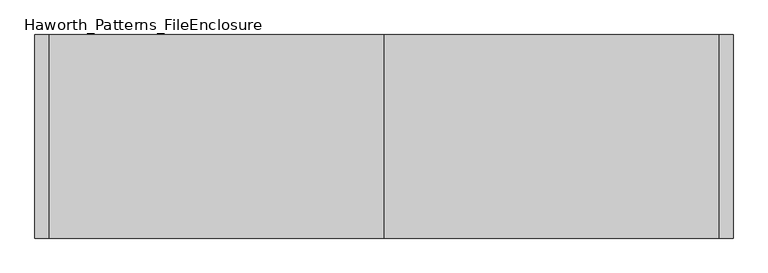
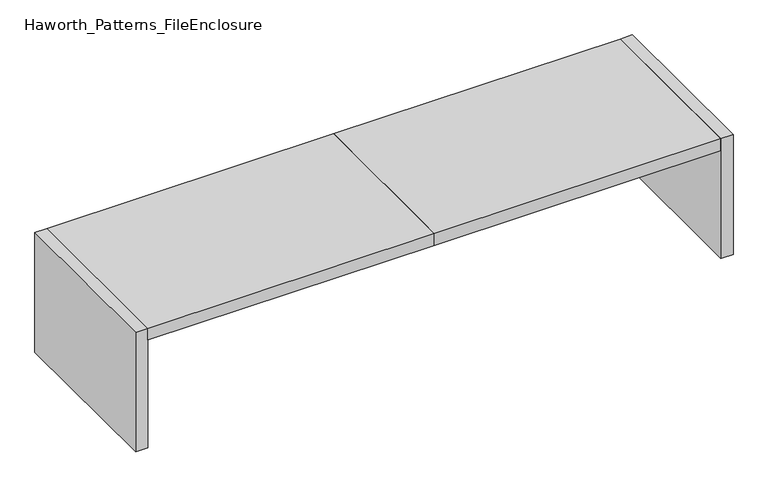
"""IFC4 building model written with IfcOpenShell, lengths in millimetres: furniture geometry, Haworth_Patterns_FileEnclosure."""

from ifc_helpers import new_model, si_unit, frame, origin, origin_with_axes, place, context, project, spatial, polyline, outline, extrude, source, transform, mapped, element, save


def haworth_patterns_fileenclosure_50ac39f9(model_context):
    return source(origin(), model_context, "Body", "SweptSolid", [
        extrude(outline(polyline([(0.0, 0.0), (1752.6, 0.0), (1752.6, -1066.8), (0.0, -1066.8), (0.0, 0.0)])), frame((0.0, 0.0, 698.5), z_axis=(0.0, 0.0, 1.0), x_axis=(1.0, 0.0, 0.0)), (0.0, 0.0, 1.0), 76.2),
        extrude(outline(polyline([(0.0, 0.0), (0.0, -1066.8), (-1752.6, -1066.8), (-1752.6, 0.0), (0.0, 0.0)])), frame((0.0, 0.0, 698.5), z_axis=(0.0, 0.0, 1.0), x_axis=(1.0, 0.0, 0.0)), (0.0, 0.0, 1.0), 76.2),
        extrude(outline(polyline([(1752.6, 0.0), (1828.8, 0.0), (1828.8, -1066.8), (1752.6, -1066.8), (1752.6, 0.0)])), origin_with_axes(), (0.0, 0.0, 1.0), 774.7),
        extrude(outline(polyline([(-1752.6, 0.0), (-1752.6, -1066.8), (-1828.8, -1066.8), (-1828.8, 0.0), (-1752.6, 0.0)])), origin_with_axes(), (0.0, 0.0, 1.0), 774.7),
    ])


if __name__ == "__main__":
    model = new_model("IFC4")
    model_context = context("Model", 3, world=origin())
    ifc_project = project(units=[si_unit("LENGTHUNIT", "METRE", prefix="MILLI")], contexts=[model_context])
    site = spatial("IfcSite", under=ifc_project)
    building = spatial("IfcBuilding", under=site)
    placement = place(None, origin())
    haworth_patterns_fileenclosure_shape = haworth_patterns_fileenclosure_50ac39f9(model_context)
    element("IfcFurniture", 1, ObjectType="Haworth_Patterns_FileEnclosure", at=placement, inside=building, context=model_context, shape_type="MappedRepresentation", body=[
        mapped(haworth_patterns_fileenclosure_shape, transform((0.0, 0.0, 0.0), x_axis=(1.0, 0.0, 0.0), y_axis=(0.0, 1.0, 0.0), z_axis=(0.0, 0.0, 1.0))),
    ])
    save(model, "model.ifc")
